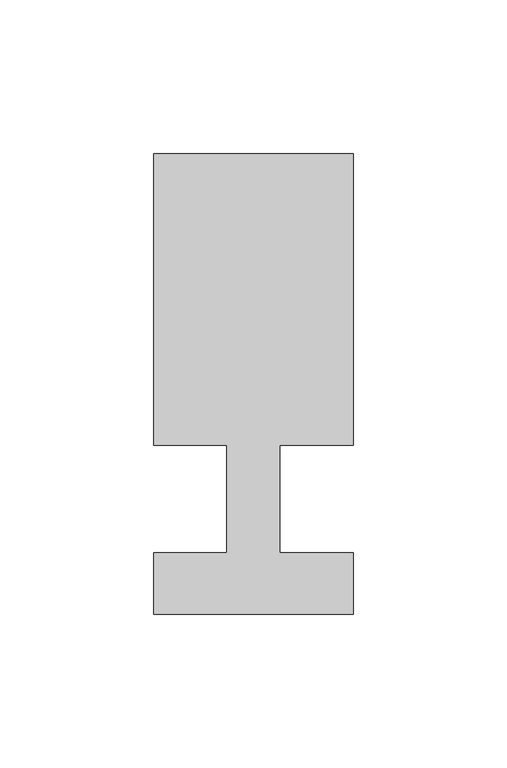
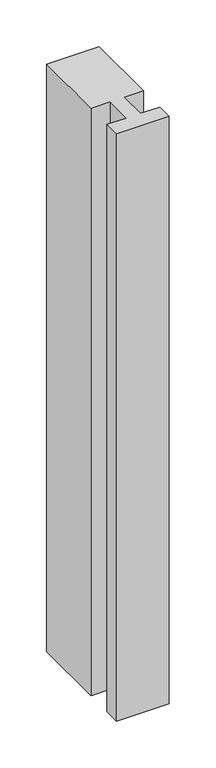
"""IFC4 building model written with IfcOpenShell, lengths in millimetres: member geometry."""

from ifc_helpers import new_model, si_unit, frame, origin, place, context, project, spatial, polyline, outline, extrude, source, transform, mapped, element, save


def member_30e69082(model_context):
    return source(origin(), model_context, "Body", "SweptSolid", [
        extrude(outline(polyline([(-32.5, -37.0), (-32.5, -17.0), (-8.6875, -17.0), (-8.6875, 18.0), (-32.5, 18.0), (-32.5, 113.0), (32.5, 113.0), (32.5, 18.0), (8.6875, 18.0), (8.6875, -17.0), (32.5, -17.0), (32.5, -37.0), (-32.5, -37.0)])), frame((0.0, 0.0, -767.5), z_axis=(0.0, 0.0, 1.0), x_axis=(1.0, 0.0, 0.0)), (0.0, 0.0, 1.0), 767.5),
    ])


if __name__ == "__main__":
    model = new_model("IFC4")
    model_context = context("Model", 3, world=origin())
    ifc_project = project(units=[si_unit("LENGTHUNIT", "METRE", prefix="MILLI")], contexts=[model_context])
    site = spatial("IfcSite", under=ifc_project)
    building = spatial("IfcBuilding", under=site)
    placement = place(None, origin())
    member_shape = member_30e69082(model_context)
    element("IfcMember", 1, at=placement, inside=building, context=model_context, shape_type="MappedRepresentation", body=[
        mapped(member_shape, transform((0.0, 0.0, 0.0), x_axis=(1.0, 0.0, 0.0), y_axis=(0.0, 1.0, 0.0), z_axis=(0.0, 0.0, 1.0))),
    ])
    save(model, "model.ifc")
